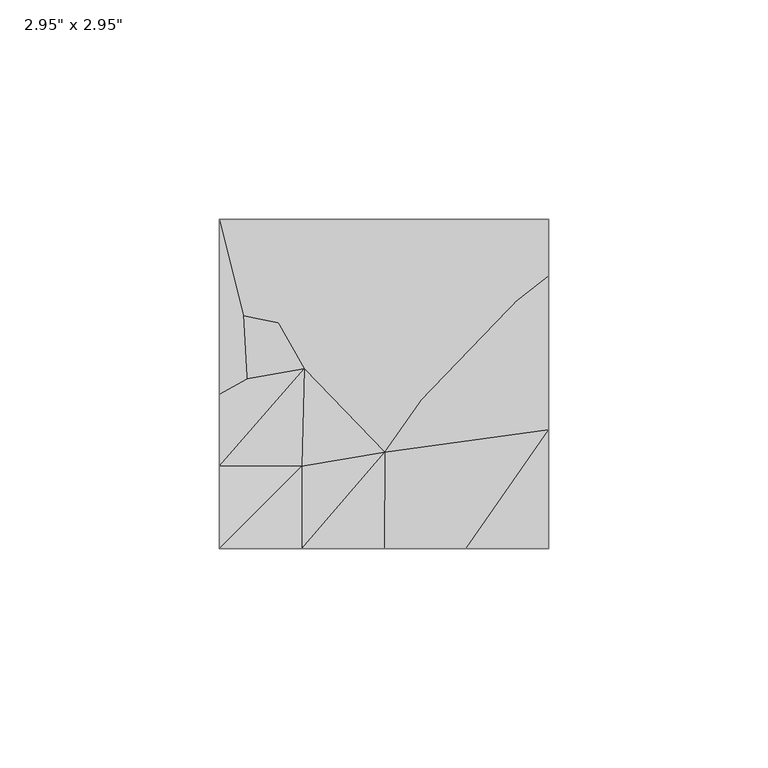
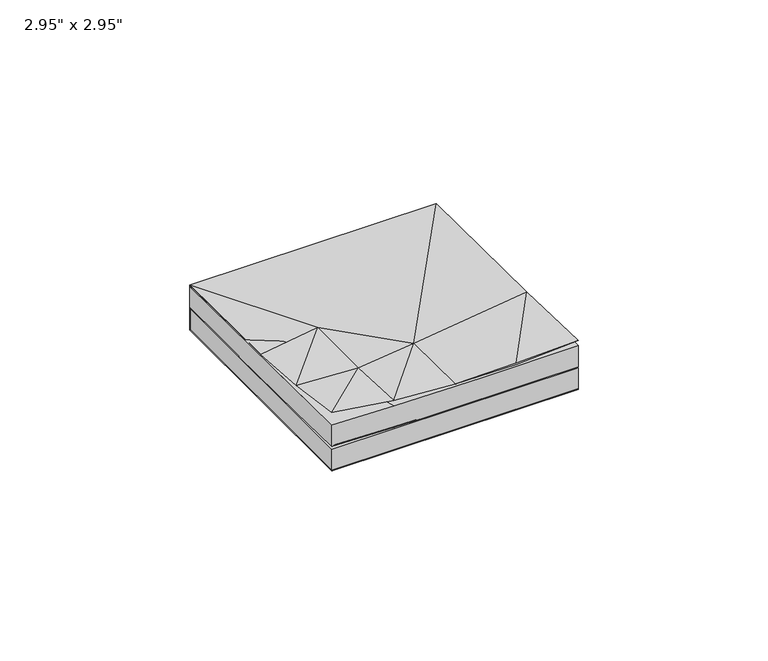
"""IFC4 building model written with IfcOpenShell, lengths in millimetres: furniture geometry."""

from ifc_helpers import new_model, si_unit, origin, place, context, project, spatial, triangles, source, transform, mapped, element, save


def furniture_9f402922(model_context):
    return source(origin(), model_context, "Body", "Tessellation", [
        triangles([(-37.4999526, -37.5000502, 18.902883), (-18.7332849, -37.5000502, 16.1028825), (-18.7332849, -18.7334677, 15.2028818), (-37.4999526, -18.7334677, 16.202882), (-18.7332849, -18.7334677, 14.602882), (-37.4999526, -37.5000502, 14.9028819), (-18.7332849, -37.5000502, 14.3028822), (-37.4999526, 37.4662769, 14.0028823), (0.0333819, -37.5000502, 14.9028819), (0.1333817, -15.5334677, 14.602882), (0.1333817, -15.5334677, 14.1028819), (7.8667153, -37.5000502, 14.1028819), (18.700052, -37.4000473, 14.602882), (18.700052, -37.4000473, 15.1028822), (37.4667152, -37.5000502, 14.2028826), (37.4667152, 37.4662769, 14.0028823), (37.4667152, -37.5000502, 15.702883), (37.4667152, -10.4001782, 14.9028819), (37.4667152, -10.4001782, 14.3028822), (-18.2332859, 3.4331134, 14.602882), (-37.4999526, 0.0331136, 14.8028823), (-18.2332859, 3.4331134, 14.0028823), (37.4667152, 37.4662769, 14.4028818), (-37.4999526, 37.4662769, 14.4028818), (37.4667038, -3.566674, 6.9999997), (37.4667038, 3.7333258, 14.0307263), (37.4667038, -18.7333621, 14.0307263), (-7.6999865, 18.7000145, 6.9999997), (37.4667038, 37.4667015, 6.9999997), (-37.5000026, 11.5666711, 7.0999998), (-37.5000026, 37.4667015, 6.9999997), (-37.5000026, -18.7333621, 7.5307262), (-37.5000026, -18.7333621, 14.4307257), (-37.5000026, 9.16667, 14.130727), (37.4667038, 37.4667015, 0.0), (-37.5000026, 37.4667015, 0.0), (-37.5000026, -37.5000502, 7.9307256), (-37.5000026, -37.5000502, 0.0), (37.4667038, -37.5000502, 0.0), (-37.5000026, -37.5000502, 6.9999997), (37.4667038, -37.5000502, 6.9999997), (-18.7333247, -37.5000502, 7.4000003), (-18.7333247, -18.7333621, 7.2), (0.0333521, -9.3000177, 7.0999998), (0.0333521, -37.5000502, 7.0999998), (0.0333521, -37.5000502, 14.130727), (18.80003, -37.5000502, 7.0999998), (18.80003, -37.5000502, 14.130727), (37.4667038, -37.5000502, 7.2999995), (-18.7333247, 0.033326, 7.0999998)], [[1, 2, 3], [1, 3, 4], [1, 4, 5], [1, 5, 2], [6, 7, 8], [2, 9, 10], [2, 10, 3], [2, 5, 11], [2, 11, 9], [7, 12, 8], [9, 13, 14], [9, 14, 10], [9, 11, 13], [12, 15, 16], [12, 16, 8], [14, 13, 17], [14, 17, 18], [14, 18, 10], [13, 11, 19], [13, 19, 17], [17, 19, 18], [4, 3, 20], [4, 20, 21], [4, 21, 22], [4, 22, 5], [3, 10, 20], [5, 22, 11], [10, 18, 23], [10, 23, 20], [11, 22, 16], [11, 16, 19], [19, 16, 23], [19, 23, 18], [21, 24, 8], [21, 8, 22], [21, 20, 24], [20, 23, 24], [22, 8, 16], [8, 24, 16], [24, 23, 16], [25, 26, 27], [25, 16, 26], [25, 28, 29], [30, 31, 28], [30, 32, 33], [30, 33, 34], [30, 34, 31], [28, 31, 29], [31, 29, 35], [31, 35, 36], [31, 34, 8], [31, 8, 29], [29, 8, 16], [6, 37, 7], [37, 6, 32], [6, 33, 32], [38, 36, 35], [38, 35, 39], [40, 38, 41], [40, 41, 29], [40, 29, 31], [38, 39, 41], [38, 40, 36], [40, 31, 36], [42, 43, 44], [42, 44, 45], [42, 37, 43], [42, 45, 46], [42, 7, 37], [42, 46, 7], [45, 47, 48], [45, 48, 46], [45, 44, 47], [47, 49, 15], [47, 15, 48], [47, 44, 28], [47, 25, 49], [47, 28, 25], [39, 29, 41], [39, 35, 29], [49, 25, 27], [49, 27, 15], [43, 50, 44], [43, 37, 32], [43, 32, 50], [44, 50, 28], [50, 30, 28], [50, 32, 30], [25, 29, 16]], closed=False),
    ])


if __name__ == "__main__":
    model = new_model("IFC4")
    model_context = context("Model", 3, world=origin())
    ifc_project = project(units=[si_unit("LENGTHUNIT", "METRE", prefix="MILLI")], contexts=[model_context])
    site = spatial("IfcSite", under=ifc_project)
    building = spatial("IfcBuilding", under=site)
    placement = place(None, origin())
    furniture_shape = furniture_9f402922(model_context)
    element("IfcFurniture", 1, ObjectType="2.95\" x 2.95\"", at=placement, inside=building, context=model_context, shape_type="MappedRepresentation", body=[
        mapped(furniture_shape, transform((0.0, 0.0, 0.0), x_axis=(1.0, 0.0, 0.0), y_axis=(0.0, 1.0, 0.0), z_axis=(0.0, 0.0, 1.0))),
    ])
    save(model, "model.ifc")
